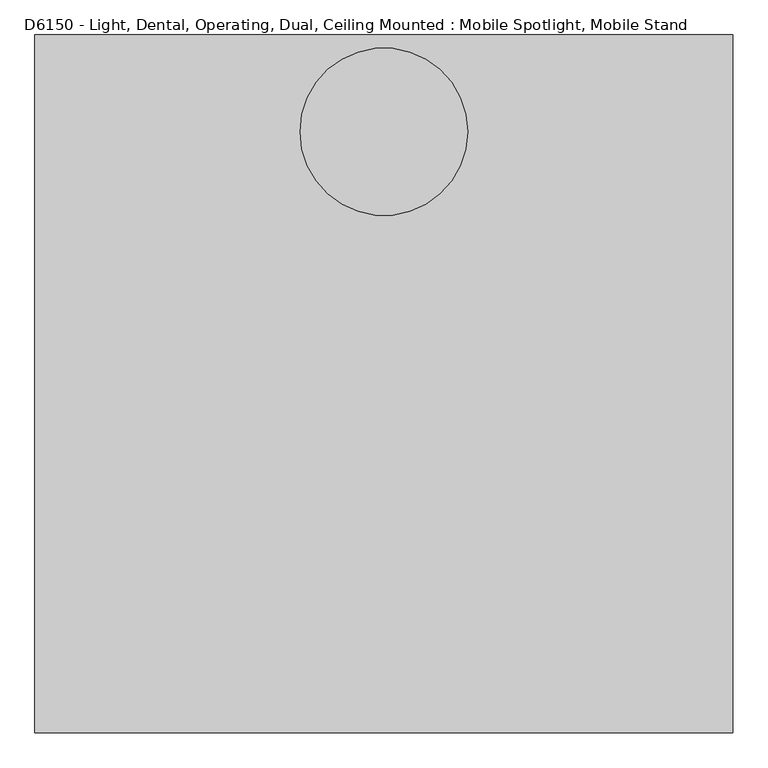
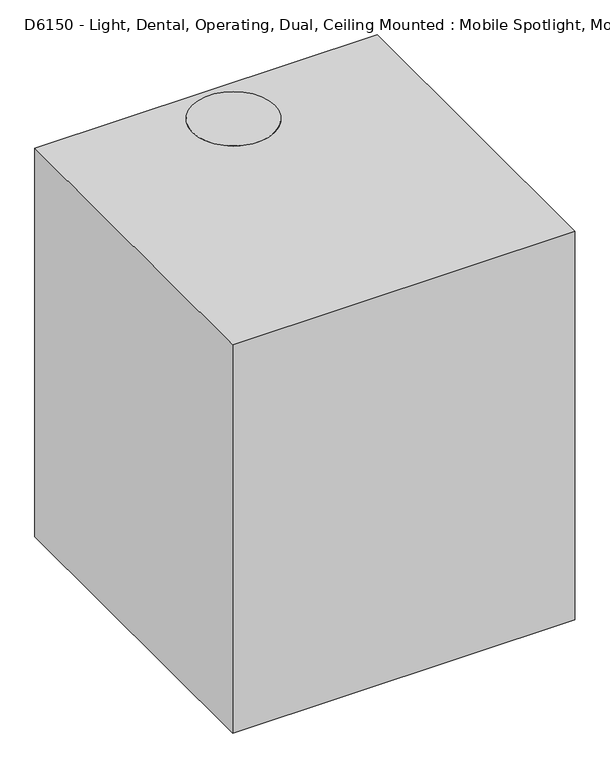
"""IFC4 building model written with IfcOpenShell, lengths in millimetres: proxy geometry, D6150 - Light, Dental, Operating, Dual, Ceiling Mounted : Mobile Spotlight, Mobile Stand."""

from ifc_helpers import new_model, si_unit, point, frame, frame_2d, origin, place, context, project, spatial, polyline, circle_curve, ellipse_curve, trimmed, segment, composite_curve, outline, extrude, source, transform, mapped, element, save
from ifc_brep_helpers import plane_surface, revolved_surface, advanced_brep


def d6150_light_dental_operating_dual_ceiling_mounted_mobile_95434ab8(model_context):
    return source(origin(), model_context, "Body", "SolidModel", [
        extrude(outline(composite_curve([segment(polyline([(-39.1500071, -1119.0842165), (-39.1500071, -653.3774924)]), True, "CONTINUOUS"), segment(trimmed(circle_curve(frame_2d((-20.1000071, -639.2363382)), 23.7249814), [point((-39.1500071, -653.3774924))], [point((-1.0500071, -653.3774924))], True, "CARTESIAN"), True, "CONTINUOUS"), segment(polyline([(-1.0500071, -653.3774924), (-1.0500071, -1119.0842165), (-39.1500071, -1119.0842165)]), True, "CONTINUOUS")], self_intersect=False)), frame((393.4202731, 0.0, 0.0), z_axis=(1.0, 0.0, 0.0), x_axis=(0.0, 1.0, 0.0)), (0.0, 0.0, 1.0), 44.7313138),
        extrude(outline(composite_curve([segment(trimmed(circle_curve(frame_2d((73.025, 3.175)), 3.175), [point((73.025, 0.0))], [point((76.2, 3.175))], True, "CARTESIAN"), True, "CONTINUOUS"), segment(polyline([(76.2, 3.175), (76.2, 34.925)]), True, "CONTINUOUS"), segment(trimmed(circle_curve(frame_2d((79.375, 34.925)), 3.175), [point((76.2, 34.925))], [point((79.375, 38.1))], False, "CARTESIAN"), True, "CONTINUOUS"), segment(trimmed(circle_curve(frame_2d((79.375, 34.925)), 3.175), [point((79.375, 38.1))], [point((82.55, 34.925))], False, "CARTESIAN"), True, "CONTINUOUS"), segment(polyline([(82.55, 34.925), (82.55, -41.275)]), True, "CONTINUOUS"), segment(trimmed(circle_curve(frame_2d((79.375, -41.275)), 3.175), [point((82.55, -41.275))], [point((79.375, -44.4499999))], False, "CARTESIAN"), True, "CONTINUOUS"), segment(trimmed(circle_curve(frame_2d((79.375, -41.275)), 3.175), [point((79.375, -44.4499999))], [point((76.2, -41.275))], False, "CARTESIAN"), True, "CONTINUOUS"), segment(polyline([(76.2, -41.275), (76.2, -9.525)]), True, "CONTINUOUS"), segment(trimmed(circle_curve(frame_2d((73.025, -9.525)), 3.175), [point((76.2, -9.525))], [point((73.025, -6.35))], True, "CARTESIAN"), True, "CONTINUOUS"), segment(polyline([(73.025, -6.35), (-6.35, -6.35), (-6.35, 0.0), (73.025, 0.0)]), True, "CONTINUOUS")], self_intersect=False)), frame((542.925, -72.7377417, -1373.8729915), z_axis=(0.0, -0.3420201433256747, 0.9396926207859062), x_axis=(1.0, 0.0, 0.0)), (0.0, 0.0, 1.0), 6.35),
        extrude(outline(composite_curve([segment(polyline([(3.175, 3.175), (3.175, 82.55), (9.525, 82.55), (9.525, 3.175)]), True, "CONTINUOUS"), segment(trimmed(circle_curve(frame_2d((12.7, 3.175)), 3.175), [point((9.525, 3.175))], [point((12.7, 0.0))], True, "CARTESIAN"), True, "CONTINUOUS"), segment(polyline([(12.7, 0.0), (44.45, 0.0)]), True, "CONTINUOUS"), segment(trimmed(circle_curve(frame_2d((44.45, -3.175)), 3.175), [point((44.45, 0.0))], [point((47.6249999, -3.175))], False, "CARTESIAN"), True, "CONTINUOUS"), segment(trimmed(circle_curve(frame_2d((44.45, -3.175)), 3.175), [point((47.6249999, -3.175))], [point((44.45, -6.35))], False, "CARTESIAN"), True, "CONTINUOUS"), segment(polyline([(44.45, -6.35), (-31.75, -6.35)]), True, "CONTINUOUS"), segment(trimmed(circle_curve(frame_2d((-31.75, -3.175)), 3.175), [point((-31.75, -6.35))], [point((-34.925, -3.175))], False, "CARTESIAN"), True, "CONTINUOUS"), segment(trimmed(circle_curve(frame_2d((-31.75, -3.175)), 3.175), [point((-34.925, -3.175))], [point((-31.75, 0.0))], False, "CARTESIAN"), True, "CONTINUOUS"), segment(polyline([(-31.75, 0.0), (0.0, 0.0)]), True, "CONTINUOUS"), segment(trimmed(circle_curve(frame_2d((0.0, 3.175)), 3.175), [point((0.0, 0.0))], [point((3.175, 3.175))], True, "CARTESIAN"), True, "CONTINUOUS")], self_intersect=False)), frame((193.675, -69.7542176, -1372.7870776), z_axis=(0.0, -0.3420201433256747, 0.9396926207859062), x_axis=(0.0, -0.9396926207859062, -0.3420201433256747)), (0.0, 0.0, 1.0), 6.35),
        extrude(outline(polyline([(0.0, 0.0), (82.4409767, 0.0), (82.4409767, 239.4711286), (0.0, 239.4711286), (0.0, 249.9105643), (93.5534767, 249.9105643), (93.5534767, -10.4394357), (0.0, -10.4394357), (0.0, 0.0)])), frame((526.1355643, -133.3040801, -1296.3598055), z_axis=(0.0, 0.9396926207859063, 0.3420201433256747), x_axis=(0.0, 0.3420201433256747, -0.9396926207859063)), (0.0, 0.0, 1.0), 51.6611993),
        extrude(outline(composite_curve([segment(polyline([(86.8443674, -1273.5552985), (50.1090556, -1317.3347385), (-223.5123411, -1416.9247823), (-279.7941042, -1407.0007889)]), True, "CONTINUOUS"), segment(trimmed(circle_curve(frame_2d((-47.9034041, -1473.7270449)), 241.3), [point((-279.7941042, -1407.0007889))], [point((86.8443674, -1273.5552985))], False, "CARTESIAN"), True, "CONTINUOUS")], self_intersect=False)), frame((286.6644357, 0.0, 0.0), z_axis=(1.0, 0.0, 0.0), x_axis=(0.0, 1.0, 0.0)), (0.0, 0.0, 1.0), 239.4711286),
        extrude(outline(composite_curve([segment(trimmed(circle_curve(frame_2d((-46.1031431, -1478.6732215)), 259.8923153), [point((-297.6952486, -1413.5162727))], [point((104.7455119, -1267.0398148))], False, "CARTESIAN"), True, "CONTINUOUS"), segment(polyline([(104.7455119, -1267.0398148), (86.8443674, -1273.5552985)]), True, "CONTINUOUS"), segment(trimmed(circle_curve(frame_2d((-47.9034041, -1473.7270449)), 241.3), [point((86.8443674, -1273.5552985))], [point((-279.7941042, -1407.0007889))], True, "CARTESIAN"), True, "CONTINUOUS"), segment(polyline([(-279.7941042, -1407.0007889), (-297.6952486, -1413.5162727)]), True, "CONTINUOUS")], self_intersect=False)), frame((286.6644357, 0.0, 0.0), z_axis=(1.0, 0.0, 0.0), x_axis=(0.0, 1.0, 0.0)), (0.0, 0.0, 1.0), 239.4711286),
        extrude(outline(polyline([(-94.9611341, -1311.6988489), (-86.5874476, -1314.7466215), (-85.0400529, -1323.5223329), (-91.8663446, -1329.2502718), (-100.2400311, -1326.2024992), (-101.7874258, -1317.4267877), (-94.9611341, -1311.6988489)])), frame((269.875, 0.0, 0.0), z_axis=(1.0, 0.0, 0.0), x_axis=(0.0, 1.0, 0.0)), (0.0, 0.0, 1.0), 3.175),
        extrude(outline(composite_curve([segment(trimmed(circle_curve(frame_2d((-94.5189227, -1319.4941842)), 25.4), [point((-69.1189227, -1319.4941842))], [point((-119.9189227, -1319.4941842))], False, "CARTESIAN"), True, "CONTINUOUS"), segment(trimmed(circle_curve(frame_2d((-94.5189227, -1319.4941842)), 25.4), [point((-119.9189227, -1319.4941842))], [point((-69.1189227, -1319.4941842))], False, "CARTESIAN"), True, "CONTINUOUS")], self_intersect=False)), frame((276.225, 0.0, 0.0), z_axis=(1.0, 0.0, 0.0), x_axis=(0.0, 1.0, 0.0)), (0.0, 0.0, 1.0), 10.4394357),
        extrude(outline(composite_curve([segment(polyline([(-3.4680197, -1125.1377649), (-78.542022, -1331.4018912)]), True, "CONTINUOUS"), segment(trimmed(circle_curve(frame_2d((-96.5270837, -1321.9059271)), 20.3380376), [point((-78.542022, -1331.4018912))], [point((-116.6187215, -1318.7496851))], False, "CARTESIAN"), True, "CONTINUOUS"), segment(polyline([(-116.6187215, -1318.7496851), (-43.9924341, -1119.2106004)]), True, "CONTINUOUS"), segment(trimmed(circle_curve(frame_2d((-36.2019563, -1122.0461024)), 8.2904533), [point((-43.9924341, -1119.2106004))], [point((-33.3664543, -1114.2556246))], False, "CARTESIAN"), True, "CONTINUOUS"), segment(polyline([(-33.3664543, -1114.2556246), (-3.4680197, -1125.1377649)]), True, "CONTINUOUS")], self_intersect=False), holes=[composite_curve([segment(trimmed(circle_curve(frame_2d((-93.7032837, -1319.6305836)), 4.6125063), [point((-89.0907774, -1319.6305836))], [point((-98.31579, -1319.6305836))], True, "CARTESIAN"), True, "CONTINUOUS"), segment(trimmed(circle_curve(frame_2d((-93.7032837, -1319.6305836)), 4.6125063), [point((-98.31579, -1319.6305836))], [point((-89.0907774, -1319.6305836))], True, "CARTESIAN"), True, "CONTINUOUS")], self_intersect=False)]), frame((273.05, 0.0, 0.0), z_axis=(1.0, 0.0, 0.0), x_axis=(0.0, 1.0, 0.0)), (0.0, 0.0, 1.0), 3.175),
        extrude(outline(polyline([(-94.9611341, -1311.6988489), (-86.5874476, -1314.7466215), (-85.0400529, -1323.5223329), (-91.8663446, -1329.2502718), (-100.2400311, -1326.2024992), (-101.7874258, -1317.4267877), (-94.9611341, -1311.6988489)])), frame((539.75, 0.0, 0.0), z_axis=(1.0, 0.0, 0.0), x_axis=(0.0, 1.0, 0.0)), (0.0, 0.0, 1.0), 3.175),
        extrude(outline(composite_curve([segment(polyline([(-3.4680197, -1125.1377649), (-14.3271592, -1154.9730056), (-52.0160716, -1141.2553633), (-44.2468396, -1119.9095738)]), True, "CONTINUOUS"), segment(trimmed(circle_curve(frame_2d((-35.7573884, -1122.9994814)), 9.0342853), [point((-44.2468396, -1119.9095738))], [point((-32.6674808, -1114.5100302))], False, "CARTESIAN"), True, "CONTINUOUS"), segment(polyline([(-32.6674808, -1114.5100302), (-3.4680197, -1125.1377649)]), True, "CONTINUOUS")], self_intersect=False)), frame((276.225, 0.0, 0.0), z_axis=(1.0, 0.0, 0.0), x_axis=(0.0, 1.0, 0.0)), (0.0, 0.0, 1.0), 260.35),
        extrude(outline(composite_curve([segment(trimmed(circle_curve(frame_2d((-94.5189227, -1319.4941842)), 25.4), [point((-69.1189227, -1319.4941842))], [point((-119.9189227, -1319.4941842))], False, "CARTESIAN"), True, "CONTINUOUS"), segment(trimmed(circle_curve(frame_2d((-94.5189227, -1319.4941842)), 25.4), [point((-119.9189227, -1319.4941842))], [point((-69.1189227, -1319.4941842))], False, "CARTESIAN"), True, "CONTINUOUS")], self_intersect=False)), frame((526.1355643, 0.0, 0.0), z_axis=(1.0, 0.0, 0.0), x_axis=(0.0, 1.0, 0.0)), (0.0, 0.0, 1.0), 10.4394357),
        extrude(outline(composite_curve([segment(polyline([(-3.4680197, -1125.1377649), (-78.542022, -1331.4018912)]), True, "CONTINUOUS"), segment(trimmed(circle_curve(frame_2d((-96.5270837, -1321.9059271)), 20.3380376), [point((-78.542022, -1331.4018912))], [point((-116.6187215, -1318.7496851))], False, "CARTESIAN"), True, "CONTINUOUS"), segment(polyline([(-116.6187215, -1318.7496851), (-43.9252942, -1119.026135)]), True, "CONTINUOUS"), segment(trimmed(circle_curve(frame_2d((-36.3192818, -1121.7944972)), 8.0941494), [point((-43.9252942, -1119.026135))], [point((-33.5509196, -1114.1884847))], False, "CARTESIAN"), True, "CONTINUOUS"), segment(polyline([(-33.5509196, -1114.1884847), (-3.4680197, -1125.1377649)]), True, "CONTINUOUS")], self_intersect=False), holes=[composite_curve([segment(trimmed(circle_curve(frame_2d((-93.7032837, -1319.6305836)), 4.6125063), [point((-89.0907774, -1319.6305836))], [point((-98.31579, -1319.6305836))], True, "CARTESIAN"), True, "CONTINUOUS"), segment(trimmed(circle_curve(frame_2d((-93.7032837, -1319.6305836)), 4.6125063), [point((-98.31579, -1319.6305836))], [point((-89.0907774, -1319.6305836))], True, "CARTESIAN"), True, "CONTINUOUS")], self_intersect=False)]), frame((536.575, 0.0, 0.0), z_axis=(1.0, 0.0, 0.0), x_axis=(0.0, 1.0, 0.0)), (0.0, 0.0, 1.0), 3.175),
        extrude(outline(composite_curve([segment(polyline([(2.3510297, -624.5764556), (2.3510297, -647.2535292)]), True, "CONTINUOUS"), segment(trimmed(circle_curve(frame_2d((-19.8739703, -638.9514742)), 23.7249814), [point((2.3510297, -647.2535292))], [point((-42.0989703, -647.2535292))], False, "CARTESIAN"), True, "CONTINUOUS"), segment(polyline([(-42.0989703, -647.2535292), (-42.0989703, -624.5764556)]), True, "CONTINUOUS"), segment(trimmed(circle_curve(frame_2d((-19.8739703, -632.8785107)), 23.7249814), [point((-42.0989703, -624.5764556))], [point((2.3510297, -624.5764556))], False, "CARTESIAN"), True, "CONTINUOUS")], self_intersect=False)), frame((387.35, 0.0, 0.0), z_axis=(1.0, 0.0, 0.0), x_axis=(0.0, 1.0, 0.0)), (0.0, 0.0, 1.0), 56.9609543),
        extrude(outline(composite_curve([segment(polyline([(435.4536657, -616.8649924), (454.2128177, -627.6955939), (454.2128177, -644.134391), (435.4536657, -654.9649924), (-2.6963343, -654.9649924)]), True, "CONTINUOUS"), segment(trimmed(circle_curve(frame_2d((-16.8374885, -635.9149924)), 23.7249814), [point((-2.6963343, -654.9649924))], [point((-2.6963343, -616.8649924))], True, "CARTESIAN"), True, "CONTINUOUS"), segment(polyline([(-2.6963343, -616.8649924), (435.4536657, -616.8649924)]), True, "CONTINUOUS")], self_intersect=False)), frame((393.4202731, 0.0, 0.0), z_axis=(1.0, 0.0, 0.0), x_axis=(0.0, 1.0, 0.0)), (0.0, 0.0, 1.0), 44.7313138),
        advanced_brep(
        [(415.78593, 503.9195844, -657.1847366), (415.78593, 458.5654372, -657.1847366), (415.78593, 481.2425108, -657.1847366), (415.78593, 481.2425108, -612.7347366), (415.78593, 458.5654372, -612.7347366), (415.78593, 503.9195844, -612.7347366)],
        [
            (0, 1, circle_curve(frame((415.78593, 481.2425108, -657.1847366), z_axis=(0.0, 0.0, -1.0), x_axis=(0.0, -1.0, 0.0)), 22.6770736)),
            (1, 2),
            (2, 0),
            (1, 0, circle_curve(frame((415.78593, 481.2425108, -657.1847366), z_axis=(0.0, 0.0, -1.0), x_axis=(0.0, -1.0, 0.0)), 22.6770736)),
            (3, 4),
            (4, 5, circle_curve(frame((415.78593, 481.2425108, -612.7347366), z_axis=(0.0, 0.0, 1.0), x_axis=(0.0, -1.0, 0.0)), 22.6770736)),
            (5, 3),
            (5, 4, circle_curve(frame((415.78593, 481.2425108, -612.7347366), z_axis=(0.0, 0.0, 1.0), x_axis=(0.0, -1.0, 0.0)), 22.6770736)),
            (4, 1, circle_curve(frame((415.78593, 466.8674922, -634.9597366), z_axis=(1.0, 0.0, 0.0), x_axis=(0.0, 1.0, 0.0)), 23.7249814)),
            (0, 5, circle_curve(frame((415.78593, 495.6175294, -634.9597366), z_axis=(1.0, 0.0, 0.0), x_axis=(0.0, -1.0, 0.0)), 23.7249814)),
        ],
        [
            plane_surface(frame((415.78593, 481.2425108, -657.1847366), z_axis=(0.0, 0.0, -1.0), x_axis=(0.0, -1.0, 0.0))),
            plane_surface(frame((415.78593, 481.2425108, -612.7347366), z_axis=(0.0, 0.0, 1.0), x_axis=(0.0, -1.0, 0.0))),
            revolved_surface(trimmed(ellipse_curve(frame((415.78593, 466.8674922, -634.9597366), z_axis=(-1.0, 0.0, 0.0), x_axis=(0.0, 1.0, 0.0)), 23.7249814, 23.7249814), [point((415.78593, 458.5654372, -657.1847366))], [point((415.78593, 458.5654372, -612.7347366))], True, "CARTESIAN"), (415.78593, 481.2425108, -657.1847366), (0.0, 0.0, 1.0)),
        ],
        [
            (0, [[1, 2, 3]]),
            (0, [[4, -3, -2]]),
            (1, [[5, 6, 7]]),
            (1, [[-7, 8, -5]]),
            (2, [[-6, 9, -1, 10]]),
            (2, [[-8, -10, -4, -9]]),
        ],
    ),
        extrude(outline(composite_curve([segment(trimmed(circle_curve(frame_2d((479.6550108, -634.9597366)), 19.05), [point((460.6050108, -634.9597366))], [point((498.7050108, -634.9597366))], False, "CARTESIAN"), True, "CONTINUOUS"), segment(trimmed(circle_curve(frame_2d((479.6550108, -634.9597366)), 19.05), [point((498.7050108, -634.9597366))], [point((460.6050108, -634.9597366))], False, "CARTESIAN"), True, "CONTINUOUS")], self_intersect=False)), frame((88.6202731, 0.0, 0.0), z_axis=(1.0, 0.0, 0.0), x_axis=(0.0, 1.0, 0.0)), (0.0, 0.0, 1.0), 304.8),
        extrude(outline(composite_curve([segment(trimmed(circle_curve(frame_2d((479.6550108, -634.9597366)), 22.225), [point((501.8800108, -634.9597366))], [point((457.4300108, -634.9597366))], False, "CARTESIAN"), True, "CONTINUOUS"), segment(trimmed(circle_curve(frame_2d((479.6550108, -634.9597366)), 22.225), [point((457.4300108, -634.9597366))], [point((501.8800108, -634.9597366))], False, "CARTESIAN"), True, "CONTINUOUS")], self_intersect=False)), frame((50.968278, 0.0, 0.0), z_axis=(1.0, 0.0, 0.0), x_axis=(0.0, 1.0, 0.0)), (0.0, 0.0, 1.0), 37.6519951),
        extrude(outline(composite_curve([segment(polyline([(-42.2464852, -1119.0842165), (-42.2464852, -653.3774924)]), True, "CONTINUOUS"), segment(trimmed(circle_curve(frame_2d((-23.1964852, -639.2363382)), 23.7249814), [point((-42.2464852, -653.3774924))], [point((-4.1464852, -653.3774924))], True, "CARTESIAN"), True, "CONTINUOUS"), segment(polyline([(-4.1464852, -653.3774924), (-4.1464852, -1119.0842165), (-42.2464852, -1119.0842165)]), True, "CONTINUOUS")], self_intersect=False)), frame((-438.1515869, 0.0, 0.0), z_axis=(1.0, 0.0, 0.0), x_axis=(0.0, 1.0, 0.0)), (0.0, 0.0, 1.0), 44.7313138),
        extrude(outline(composite_curve([segment(polyline([(3.1749999, 3.175), (3.1749999, 82.55), (9.525, 82.55), (9.525, 3.175)]), True, "CONTINUOUS"), segment(trimmed(circle_curve(frame_2d((12.6999999, 3.175)), 3.175), [point((9.525, 3.175))], [point((12.6999999, 0.0))], True, "CARTESIAN"), True, "CONTINUOUS"), segment(polyline([(12.6999999, 0.0), (44.45, 0.0)]), True, "CONTINUOUS"), segment(trimmed(circle_curve(frame_2d((44.45, -3.175)), 3.175), [point((44.45, 0.0))], [point((47.6249999, -3.175))], False, "CARTESIAN"), True, "CONTINUOUS"), segment(trimmed(circle_curve(frame_2d((44.45, -3.175)), 3.175), [point((47.6249999, -3.175))], [point((44.45, -6.35))], False, "CARTESIAN"), True, "CONTINUOUS"), segment(polyline([(44.45, -6.35), (-31.75, -6.35)]), True, "CONTINUOUS"), segment(trimmed(circle_curve(frame_2d((-31.75, -3.175)), 3.175), [point((-31.75, -6.35))], [point((-34.925, -3.175))], False, "CARTESIAN"), True, "CONTINUOUS"), segment(trimmed(circle_curve(frame_2d((-31.75, -3.175)), 3.175), [point((-34.925, -3.175))], [point((-31.75, 0.0))], False, "CARTESIAN"), True, "CONTINUOUS"), segment(polyline([(-31.75, 0.0), (0.0, 0.0)]), True, "CONTINUOUS"), segment(trimmed(circle_curve(frame_2d((0.0, 3.175)), 3.175), [point((0.0, 0.0))], [point((3.1749999, 3.175))], True, "CARTESIAN"), True, "CONTINUOUS")], self_intersect=False)), frame((-619.125, -72.8506957, -1372.7870776), z_axis=(0.0, -0.3420201433256747, 0.9396926207859062), x_axis=(0.0, -0.9396926207859062, -0.3420201433256747)), (0.0, 0.0, 1.0), 6.35),
        extrude(outline(composite_curve([segment(trimmed(circle_curve(frame_2d((73.025, 3.1749999)), 3.175), [point((73.025, 0.0))], [point((76.2, 3.1749999))], True, "CARTESIAN"), True, "CONTINUOUS"), segment(polyline([(76.2, 3.1749999), (76.2, 34.9249999)]), True, "CONTINUOUS"), segment(trimmed(circle_curve(frame_2d((79.375, 34.9249999)), 3.175), [point((76.2, 34.9249999))], [point((79.375, 38.0999999))], False, "CARTESIAN"), True, "CONTINUOUS"), segment(trimmed(circle_curve(frame_2d((79.375, 34.9249999)), 3.175), [point((79.375, 38.0999999))], [point((82.55, 34.9249999))], False, "CARTESIAN"), True, "CONTINUOUS"), segment(polyline([(82.55, 34.9249999), (82.55, -41.2750001)]), True, "CONTINUOUS"), segment(trimmed(circle_curve(frame_2d((79.375, -41.2750001)), 3.175), [point((82.55, -41.2750001))], [point((79.375, -44.45))], False, "CARTESIAN"), True, "CONTINUOUS"), segment(trimmed(circle_curve(frame_2d((79.375, -41.2750001)), 3.175), [point((79.375, -44.45))], [point((76.2, -41.2750001))], False, "CARTESIAN"), True, "CONTINUOUS"), segment(polyline([(76.2, -41.2750001), (76.2, -9.525)]), True, "CONTINUOUS"), segment(trimmed(circle_curve(frame_2d((73.025, -9.525)), 3.175), [point((76.2, -9.525))], [point((73.025, -6.3500001))], True, "CARTESIAN"), True, "CONTINUOUS"), segment(polyline([(73.025, -6.3500001), (-6.35, -6.3500001), (-6.35, 0.0), (73.025, 0.0)]), True, "CONTINUOUS")], self_intersect=False)), frame((-269.875, -75.8342197, -1373.8729915), z_axis=(0.0, -0.3420201433256747, 0.9396926207859062), x_axis=(1.0, 0.0, 0.0)), (0.0, 0.0, 1.0), 6.35),
        extrude(outline(polyline([(-10.4394357, 0.0), (0.0, 0.0), (0.0, -93.5534767), (-260.35, -93.5534767), (-260.35, 0.0), (-249.9105643, 0.0), (-249.9105643, -82.4409766), (-10.4394357, -82.4409766), (-10.4394357, 0.0)])), frame((-536.575, -136.4005581, -1296.3598055), z_axis=(0.0, 0.9396926207859062, 0.34202014332567465), x_axis=(-1.0, 0.0, 0.0)), (0.0, 0.0, 1.0), 51.6611993),
        extrude(outline(composite_curve([segment(polyline([(83.7478894, -1273.5552985), (47.0125775, -1317.3347385), (-226.6088192, -1416.9247823), (-282.8905822, -1407.0007889)]), True, "CONTINUOUS"), segment(trimmed(circle_curve(frame_2d((-50.9998822, -1473.7270449)), 241.3), [point((-282.8905822, -1407.0007889))], [point((83.7478894, -1273.5552985))], False, "CARTESIAN"), True, "CONTINUOUS")], self_intersect=False)), frame((-526.1355643, 0.0, 0.0), z_axis=(1.0, 0.0, 0.0), x_axis=(0.0, 1.0, 0.0)), (0.0, 0.0, 1.0), 239.4711286),
        extrude(outline(composite_curve([segment(trimmed(circle_curve(frame_2d((-49.1996212, -1478.6732215)), 259.8923153), [point((-300.7917267, -1413.5162727))], [point((101.6490338, -1267.0398148))], False, "CARTESIAN"), True, "CONTINUOUS"), segment(polyline([(101.6490338, -1267.0398148), (83.7478894, -1273.5552985)]), True, "CONTINUOUS"), segment(trimmed(circle_curve(frame_2d((-50.9998822, -1473.7270449)), 241.3), [point((83.7478894, -1273.5552985))], [point((-282.8905822, -1407.0007889))], True, "CARTESIAN"), True, "CONTINUOUS"), segment(polyline([(-282.8905822, -1407.0007889), (-300.7917267, -1413.5162727)]), True, "CONTINUOUS")], self_intersect=False)), frame((-526.1355643, 0.0, 0.0), z_axis=(1.0, 0.0, 0.0), x_axis=(0.0, 1.0, 0.0)), (0.0, 0.0, 1.0), 239.4711286),
        extrude(outline(polyline([(-98.0576121, -1311.6988489), (-89.6839257, -1314.7466215), (-88.136531, -1323.5223329), (-94.9628227, -1329.2502718), (-103.3365092, -1326.2024992), (-104.8839039, -1317.4267877), (-98.0576121, -1311.6988489)])), frame((-273.05, 0.0, 0.0), z_axis=(1.0, 0.0, 0.0), x_axis=(0.0, 1.0, 0.0)), (0.0, 0.0, 1.0), 3.175),
        extrude(outline(composite_curve([segment(trimmed(circle_curve(frame_2d((-97.6154008, -1319.4941842)), 25.4), [point((-72.2154008, -1319.4941842))], [point((-123.0154008, -1319.4941842))], False, "CARTESIAN"), True, "CONTINUOUS"), segment(trimmed(circle_curve(frame_2d((-97.6154008, -1319.4941842)), 25.4), [point((-123.0154008, -1319.4941842))], [point((-72.2154008, -1319.4941842))], False, "CARTESIAN"), True, "CONTINUOUS")], self_intersect=False)), frame((-286.6644357, 0.0, 0.0), z_axis=(1.0, 0.0, 0.0), x_axis=(0.0, 1.0, 0.0)), (0.0, 0.0, 1.0), 10.4394357),
        extrude(outline(composite_curve([segment(polyline([(-6.5644977, -1125.1377649), (-81.6385001, -1331.4018912)]), True, "CONTINUOUS"), segment(trimmed(circle_curve(frame_2d((-99.6235617, -1321.9059271)), 20.3380376), [point((-81.6385001, -1331.4018912))], [point((-119.7151996, -1318.7496851))], False, "CARTESIAN"), True, "CONTINUOUS"), segment(polyline([(-119.7151996, -1318.7496851), (-47.0889122, -1119.2106004)]), True, "CONTINUOUS"), segment(trimmed(circle_curve(frame_2d((-39.2984344, -1122.0461024)), 8.2904533), [point((-47.0889122, -1119.2106004))], [point((-36.4629324, -1114.2556246))], False, "CARTESIAN"), True, "CONTINUOUS"), segment(polyline([(-36.4629324, -1114.2556246), (-6.5644977, -1125.1377649)]), True, "CONTINUOUS")], self_intersect=False), holes=[composite_curve([segment(trimmed(circle_curve(frame_2d((-96.7997618, -1319.6305836)), 4.6125063), [point((-92.1872555, -1319.6305836))], [point((-101.4122681, -1319.6305836))], True, "CARTESIAN"), True, "CONTINUOUS"), segment(trimmed(circle_curve(frame_2d((-96.7997618, -1319.6305836)), 4.6125063), [point((-101.4122681, -1319.6305836))], [point((-92.1872555, -1319.6305836))], True, "CARTESIAN"), True, "CONTINUOUS")], self_intersect=False)]), frame((-276.225, 0.0, 0.0), z_axis=(1.0, 0.0, 0.0), x_axis=(0.0, 1.0, 0.0)), (0.0, 0.0, 1.0), 3.175),
        extrude(outline(polyline([(-98.0576121, -1311.6988489), (-89.6839257, -1314.7466215), (-88.136531, -1323.5223329), (-94.9628227, -1329.2502718), (-103.3365092, -1326.2024992), (-104.8839039, -1317.4267877), (-98.0576121, -1311.6988489)])), frame((-542.925, 0.0, 0.0), z_axis=(1.0, 0.0, 0.0), x_axis=(0.0, 1.0, 0.0)), (0.0, 0.0, 1.0), 3.175),
        extrude(outline(composite_curve([segment(polyline([(-6.5644977, -1125.1377649), (-17.4236373, -1154.9730056), (-55.1125497, -1141.2553633), (-47.3433177, -1119.9095738)]), True, "CONTINUOUS"), segment(trimmed(circle_curve(frame_2d((-38.8538665, -1122.9994814)), 9.0342853), [point((-47.3433177, -1119.9095738))], [point((-35.7639589, -1114.5100302))], False, "CARTESIAN"), True, "CONTINUOUS"), segment(polyline([(-35.7639589, -1114.5100302), (-6.5644977, -1125.1377649)]), True, "CONTINUOUS")], self_intersect=False)), frame((-536.575, 0.0, 0.0), z_axis=(1.0, 0.0, 0.0), x_axis=(0.0, 1.0, 0.0)), (0.0, 0.0, 1.0), 260.35),
        extrude(outline(composite_curve([segment(trimmed(circle_curve(frame_2d((-97.6154008, -1319.4941842)), 25.4), [point((-72.2154008, -1319.4941842))], [point((-123.0154008, -1319.4941842))], False, "CARTESIAN"), True, "CONTINUOUS"), segment(trimmed(circle_curve(frame_2d((-97.6154008, -1319.4941842)), 25.4), [point((-123.0154008, -1319.4941842))], [point((-72.2154008, -1319.4941842))], False, "CARTESIAN"), True, "CONTINUOUS")], self_intersect=False)), frame((-536.575, 0.0, 0.0), z_axis=(1.0, 0.0, 0.0), x_axis=(0.0, 1.0, 0.0)), (0.0, 0.0, 1.0), 10.4394357),
        extrude(outline(composite_curve([segment(polyline([(-6.5644977, -1125.1377649), (-81.6385001, -1331.4018912)]), True, "CONTINUOUS"), segment(trimmed(circle_curve(frame_2d((-99.6235617, -1321.9059271)), 20.3380376), [point((-81.6385001, -1331.4018912))], [point((-119.7151996, -1318.7496851))], False, "CARTESIAN"), True, "CONTINUOUS"), segment(polyline([(-119.7151996, -1318.7496851), (-47.0217723, -1119.026135)]), True, "CONTINUOUS"), segment(trimmed(circle_curve(frame_2d((-39.4157598, -1121.7944972)), 8.0941494), [point((-47.0217723, -1119.026135))], [point((-36.6473977, -1114.1884847))], False, "CARTESIAN"), True, "CONTINUOUS"), segment(polyline([(-36.6473977, -1114.1884847), (-6.5644977, -1125.1377649)]), True, "CONTINUOUS")], self_intersect=False), holes=[composite_curve([segment(trimmed(circle_curve(frame_2d((-96.7997618, -1319.6305836)), 4.6125063), [point((-92.1872555, -1319.6305836))], [point((-101.4122681, -1319.6305836))], True, "CARTESIAN"), True, "CONTINUOUS"), segment(trimmed(circle_curve(frame_2d((-96.7997618, -1319.6305836)), 4.6125063), [point((-101.4122681, -1319.6305836))], [point((-92.1872555, -1319.6305836))], True, "CARTESIAN"), True, "CONTINUOUS")], self_intersect=False)]), frame((-539.75, 0.0, 0.0), z_axis=(1.0, 0.0, 0.0), x_axis=(0.0, 1.0, 0.0)), (0.0, 0.0, 1.0), 3.175),
        extrude(outline(composite_curve([segment(polyline([(-0.7454484, -624.5764556), (-0.7454484, -647.2535292)]), True, "CONTINUOUS"), segment(trimmed(circle_curve(frame_2d((-22.9704484, -638.9514742)), 23.7249814), [point((-0.7454484, -647.2535292))], [point((-45.1954484, -647.2535292))], False, "CARTESIAN"), True, "CONTINUOUS"), segment(polyline([(-45.1954484, -647.2535292), (-45.1954484, -624.5764556)]), True, "CONTINUOUS"), segment(trimmed(circle_curve(frame_2d((-22.9704484, -632.8785107)), 23.7249814), [point((-45.1954484, -624.5764556))], [point((-0.7454484, -624.5764556))], False, "CARTESIAN"), True, "CONTINUOUS")], self_intersect=False)), frame((-444.3109543, 0.0, 0.0), z_axis=(1.0, 0.0, 0.0), x_axis=(0.0, 1.0, 0.0)), (0.0, 0.0, 1.0), 56.9609543),
        extrude(outline(composite_curve([segment(polyline([(432.3571876, -616.8649924), (451.1163396, -627.6955939), (451.1163396, -644.134391), (432.3571876, -654.9649924), (-5.7928124, -654.9649924)]), True, "CONTINUOUS"), segment(trimmed(circle_curve(frame_2d((-19.9339666, -635.9149924)), 23.7249814), [point((-5.7928124, -654.9649924))], [point((-5.7928124, -616.8649924))], True, "CARTESIAN"), True, "CONTINUOUS"), segment(polyline([(-5.7928124, -616.8649924), (432.3571876, -616.8649924)]), True, "CONTINUOUS")], self_intersect=False)), frame((-438.1515869, 0.0, 0.0), z_axis=(1.0, 0.0, 0.0), x_axis=(0.0, 1.0, 0.0)), (0.0, 0.0, 1.0), 44.7313138),
        advanced_brep(
        [(-415.78593, 478.1460327, -657.1847366), (-415.78593, 455.4689591, -657.1847366), (-415.78593, 500.8231064, -657.1847366), (-415.78593, 500.8231064, -612.7347366), (-415.78593, 455.4689591, -612.7347366), (-415.78593, 478.1460327, -612.7347366)],
        [
            (0, 1),
            (1, 2, circle_curve(frame((-415.78593, 478.1460327, -657.1847366), z_axis=(0.0, 0.0, -1.0), x_axis=(0.0, -1.0, 0.0)), 22.6770736)),
            (2, 0),
            (2, 1, circle_curve(frame((-415.78593, 478.1460327, -657.1847366), z_axis=(0.0, 0.0, -1.0), x_axis=(0.0, -1.0, 0.0)), 22.6770736)),
            (3, 4, circle_curve(frame((-415.78593, 478.1460327, -612.7347366), z_axis=(0.0, 0.0, 1.0), x_axis=(0.0, -1.0, 0.0)), 22.6770736)),
            (4, 5),
            (5, 3),
            (4, 3, circle_curve(frame((-415.78593, 478.1460327, -612.7347366), z_axis=(0.0, 0.0, 1.0), x_axis=(0.0, -1.0, 0.0)), 22.6770736)),
            (1, 4, circle_curve(frame((-415.78593, 463.7710141, -634.9597366), z_axis=(-1.0, 0.0, 0.0), x_axis=(0.0, 1.0, 0.0)), 23.7249814)),
            (3, 2, circle_curve(frame((-415.78593, 492.5210513, -634.9597366), z_axis=(-1.0, 0.0, 0.0), x_axis=(0.0, -1.0, 0.0)), 23.7249814)),
        ],
        [
            plane_surface(frame((-415.78593, 478.1460327, -657.1847366), z_axis=(0.0, 0.0, -1.0), x_axis=(0.0, -1.0, 0.0))),
            plane_surface(frame((-415.78593, 478.1460327, -612.7347366), z_axis=(0.0, 0.0, 1.0), x_axis=(0.0, -1.0, 0.0))),
            revolved_surface(trimmed(ellipse_curve(frame((-415.78593, 463.7710141, -634.9597366), z_axis=(1.0, 0.0, 0.0), x_axis=(0.0, 1.0, 0.0)), 23.7249814, 23.7249814), [point((-415.78593, 455.4689591, -612.7347366))], [point((-415.78593, 455.4689591, -657.1847366))], True, "CARTESIAN"), (-415.78593, 478.1460327, -657.1847366), (0.0, 0.0, -1.0)),
        ],
        [
            (0, [[1, 2, 3]]),
            (0, [[-3, 4, -1]]),
            (1, [[5, 6, 7]]),
            (1, [[8, -7, -6]]),
            (2, [[-2, 9, -5, 10]]),
            (2, [[-4, -10, -8, -9]]),
        ],
    ),
        extrude(outline(composite_curve([segment(trimmed(circle_curve(frame_2d((476.5585327, -634.9597366)), 19.05), [point((457.5085327, -634.9597366))], [point((495.6085327, -634.9597366))], False, "CARTESIAN"), True, "CONTINUOUS"), segment(trimmed(circle_curve(frame_2d((476.5585327, -634.9597366)), 19.05), [point((495.6085327, -634.9597366))], [point((457.5085327, -634.9597366))], False, "CARTESIAN"), True, "CONTINUOUS")], self_intersect=False)), frame((-393.4202731, 0.0, 0.0), z_axis=(1.0, 0.0, 0.0), x_axis=(0.0, 1.0, 0.0)), (0.0, 0.0, 1.0), 304.8),
        extrude(outline(composite_curve([segment(trimmed(circle_curve(frame_2d((476.5585327, -634.9597366)), 22.225), [point((454.3335327, -634.9597366))], [point((498.7835327, -634.9597366))], False, "CARTESIAN"), True, "CONTINUOUS"), segment(trimmed(circle_curve(frame_2d((476.5585327, -634.9597366)), 22.225), [point((498.7835327, -634.9597366))], [point((454.3335327, -634.9597366))], False, "CARTESIAN"), True, "CONTINUOUS")], self_intersect=False)), frame((-88.6202731, 0.0, 0.0), z_axis=(1.0, 0.0, 0.0), x_axis=(0.0, 1.0, 0.0)), (0.0, 0.0, 1.0), 37.6519951),
        extrude(outline(composite_curve([segment(trimmed(circle_curve(frame_2d((0.0235935, 476.5585327)), 57.15), [point((-57.1264065, 476.5585327))], [point((57.1735935, 476.5585327))], False, "CARTESIAN"), True, "CONTINUOUS"), segment(trimmed(circle_curve(frame_2d((0.0235935, 476.5585327)), 57.15), [point((57.1735935, 476.5585327))], [point((-57.1264065, 476.5585327))], False, "CARTESIAN"), True, "CONTINUOUS")], self_intersect=False)), frame((0.0, 0.0, -660.4), z_axis=(0.0, 0.0, 1.0), x_axis=(1.0, 0.0, 0.0)), (0.0, 0.0, 1.0), 50.8),
        extrude(outline(composite_curve([segment(trimmed(circle_curve(frame_2d((0.0, 459.0567718)), 22.225), [point((-22.225, 459.0567718))], [point((22.225, 459.0567718))], False, "CARTESIAN"), True, "CONTINUOUS"), segment(trimmed(circle_curve(frame_2d((0.0, 459.0567718)), 22.225), [point((22.225, 459.0567718))], [point((-22.225, 459.0567718))], False, "CARTESIAN"), True, "CONTINUOUS")], self_intersect=False)), frame((0.0, 0.0, -609.6), z_axis=(0.0, 0.0, 1.0), x_axis=(1.0, 0.0, 0.0)), (0.0, 0.0, 1.0), 82.55),
        extrude(outline(composite_curve([segment(trimmed(circle_curve(frame_2d((0.0, 458.8513373)), 152.4), [point((-152.4, 458.8513373))], [point((152.4, 458.8513373))], False, "CARTESIAN"), True, "CONTINUOUS"), segment(trimmed(circle_curve(frame_2d((0.0, 458.8513373)), 152.4), [point((152.4, 458.8513373))], [point((-152.4, 458.8513373))], False, "CARTESIAN"), True, "CONTINUOUS")], self_intersect=False)), frame((0.0, 0.0, -50.8), z_axis=(0.0, 0.0, 1.0), x_axis=(1.0, 0.0, 0.0)), (0.0, 0.0, 1.0), 50.8),
        extrude(outline(composite_curve([segment(trimmed(circle_curve(frame_2d((0.0, 459.0567718)), 19.05), [point((-19.05, 459.0567718))], [point((19.05, 459.0567718))], False, "CARTESIAN"), True, "CONTINUOUS"), segment(trimmed(circle_curve(frame_2d((0.0, 459.0567718)), 19.05), [point((19.05, 459.0567718))], [point((-19.05, 459.0567718))], False, "CARTESIAN"), True, "CONTINUOUS")], self_intersect=False)), frame((0.0, 0.0, -527.05), z_axis=(0.0, 0.0, 1.0), x_axis=(1.0, 0.0, 0.0)), (0.0, 0.0, 1.0), 476.25),
        extrude(outline(polyline([(635.0, 635.0), (635.0, -635.0), (-635.0, -635.0), (-635.0, 635.0), (635.0, 635.0)])), frame((0.0, 0.0, -1524.0), z_axis=(0.0, 0.0, 1.0), x_axis=(1.0, 0.0, 0.0)), (0.0, 0.0, 1.0), 1524.0),
    ])


if __name__ == "__main__":
    model = new_model("IFC4")
    model_context = context("Model", 3, world=origin())
    ifc_project = project(units=[si_unit("LENGTHUNIT", "METRE", prefix="MILLI")], contexts=[model_context])
    site = spatial("IfcSite", under=ifc_project)
    building = spatial("IfcBuilding", under=site)
    placement = place(None, origin())
    d6150_light_dental_operating_dual_ceiling_mounted_mobile_shape = d6150_light_dental_operating_dual_ceiling_mounted_mobile_95434ab8(model_context)
    element("IfcBuildingElementProxy", 1, Name="D6150 - Light, Dental, Operating, Dual, Ceiling Mounted : Mobile Spotlight, Mobile Stand", ObjectType="D6150 - Light, Dental, Operating, Dual, Ceiling Mounted : Mobile Spotlight, Mobile Stand", at=placement, inside=building, context=model_context, shape_type="MappedRepresentation", body=[
        mapped(d6150_light_dental_operating_dual_ceiling_mounted_mobile_shape, transform((0.0, 0.0, 0.0), x_axis=(1.0, 0.0, 0.0), y_axis=(0.0, 1.0, 0.0), z_axis=(0.0, 0.0, 1.0))),
    ])
    save(model, "model.ifc")
